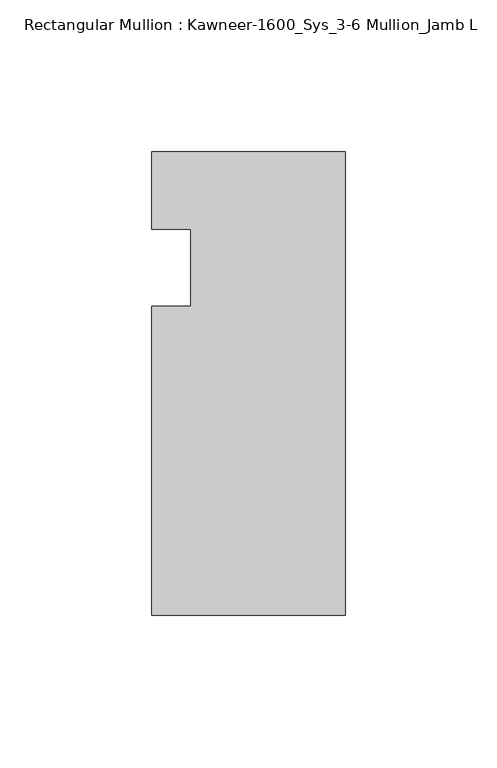
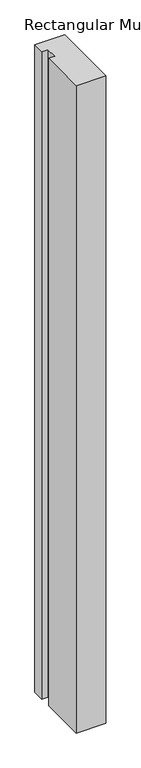
"""IFC4 building model written with IfcOpenShell, lengths in millimetres: member geometry, Rectangular Mullion : Kawneer-1600_Sys_3-6 Mullion_Jamb L."""

from ifc_helpers import new_model, si_unit, frame, origin, place, context, project, spatial, polyline, outline, extrude, source, transform, mapped, element, save


def rectangular_mullion_kawneer_1600_sys_3_6_mullion_jamb_l_1a0ed977(model_context):
    return source(origin(), model_context, "Body", "SweptSolid", [
        extrude(outline(polyline([(-63.5, -114.3), (-63.5, -12.7), (-50.7982296, -12.7), (-50.7982296, 12.7), (-63.5, 12.7), (-63.5, 38.1), (0.0, 38.1), (0.0, -114.3), (-63.5, -114.3)])), frame((0.0, 0.0, -1463.04), z_axis=(0.0, 0.0, 1.0), x_axis=(1.0, 0.0, 0.0)), (0.0, 0.0, 1.0), 1463.04),
    ])


if __name__ == "__main__":
    model = new_model("IFC4")
    model_context = context("Model", 3, world=origin())
    ifc_project = project(units=[si_unit("LENGTHUNIT", "METRE", prefix="MILLI")], contexts=[model_context])
    site = spatial("IfcSite", under=ifc_project)
    building = spatial("IfcBuilding", under=site)
    placement = place(None, origin())
    rectangular_mullion_kawneer_1600_sys_3_6_mullion_jamb_l_shape = rectangular_mullion_kawneer_1600_sys_3_6_mullion_jamb_l_1a0ed977(model_context)
    element("IfcMember", 1, ObjectType="Rectangular Mullion : Kawneer-1600_Sys_3-6 Mullion_Jamb L", at=placement, inside=building, context=model_context, shape_type="MappedRepresentation", body=[
        mapped(rectangular_mullion_kawneer_1600_sys_3_6_mullion_jamb_l_shape, transform((0.0, 0.0, 0.0), x_axis=(1.0, 0.0, 0.0), y_axis=(0.0, 1.0, 0.0), z_axis=(0.0, 0.0, 1.0))),
    ])
    save(model, "model.ifc")
